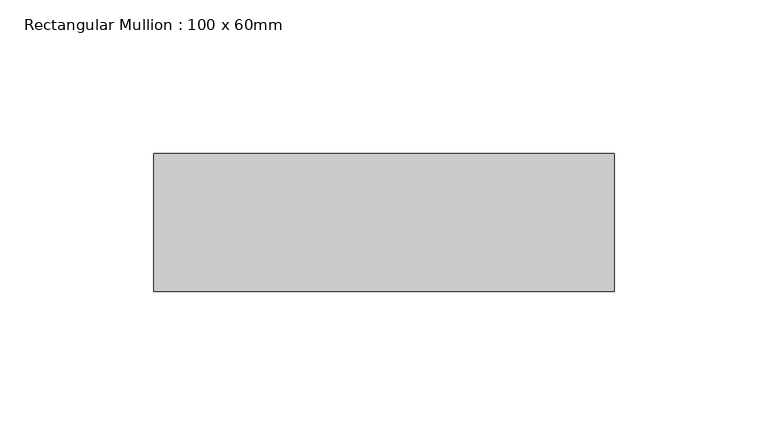
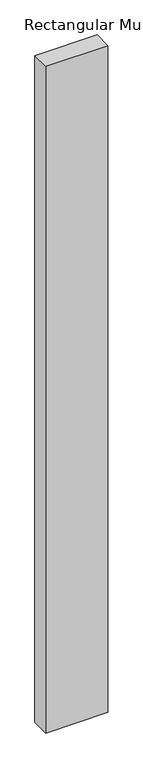
"""IFC4 building model written with IfcOpenShell, lengths in millimetres: member geometry, Rectangular Mullion : 100 x 60mm."""

import ifcopenshell
import ifcopenshell.guid

model = None  # the IFC model being written
_history = None  # IfcOwnerHistory: only IFC2X3 demands one
_inside = {}  # id of a spatial element -> (the spatial element, [elements in it])
_under = {}  # id of a project, library or spatial element -> (it, [spatial elements below it])
_declared = {}  # id of a project -> (the project, [libraries it declares])
_typed = {}  # id of a type object -> (the type object, [elements of that type])
_made_of = {}  # id of a material, layer set ... -> (it, [elements and type objects made of it])


def new_model(schema):
    """Start an empty IFC model of exactly this schema.

    Asked for "IFC4X3", IfcOpenShell would pick the latest addendum, in which some entities
    have other attributes; the version numbers below select the first issue.
    IFC2X3 requires an IfcOwnerHistory on every rooted entity: one is made here for all.
    """
    global model, _history
    if schema == "IFC4X3":
        model = ifcopenshell.file(schema_version=(4, 3, 0, 0))
    else:
        model = ifcopenshell.file(schema=schema)
    _inside.clear()
    _under.clear()
    _declared.clear()
    _typed.clear()
    _made_of.clear()
    _history = None
    if model.schema == "IFC2X3":
        org = make("IfcOrganization", Name="unknown")
        user = make(
            "IfcPersonAndOrganization",
            ThePerson=make("IfcPerson", FamilyName="unknown"),
            TheOrganization=org,
        )
        app = make(
            "IfcApplication",
            ApplicationDeveloper=org,
            Version="unknown",
            ApplicationFullName="unknown",
            ApplicationIdentifier="unknown",
        )
        _history = make(
            "IfcOwnerHistory",
            OwningUser=user,
            OwningApplication=app,
            ChangeAction="ADDED",
            CreationDate=0,
        )
    return model


def make(cls, **values):
    """One entity of the class cls with the attributes given. An attribute that is None is left unset."""
    return model.create_entity(
        cls, **{name: value for name, value in values.items() if value is not None}
    )


def rooted(cls, **values):
    """An entity with a GlobalId (a new one), such as an element, a storey or a relation."""
    return make(cls, GlobalId=ifcopenshell.guid.new(), OwnerHistory=_history, **values)


def si_unit(unit_type, name, prefix=None):
    """IfcSIUnit, for example si_unit("LENGTHUNIT", "METRE", prefix="MILLI")."""
    return make("IfcSIUnit", UnitType=unit_type, Prefix=prefix, Name=name)


def assignment(units):
    """IfcUnitAssignment: the units of a project."""
    return None if units is None else make("IfcUnitAssignment", Units=units)


def point(xyz):
    """IfcCartesianPoint."""
    return None if xyz is None else make("IfcCartesianPoint", Coordinates=xyz)


def direction(xyz):
    """IfcDirection."""
    return None if xyz is None else make("IfcDirection", DirectionRatios=xyz)


def frame(location, z_axis=None, x_axis=None):
    """IfcAxis2Placement3D, a coordinate frame: its origin and axes. An axis left out is left unset."""
    return make(
        "IfcAxis2Placement3D",
        Location=point(location),
        Axis=direction(z_axis),
        RefDirection=direction(x_axis),
    )


def origin():
    """The frame at (0, 0, 0) with its axes left unset."""
    return frame((0.0, 0.0, 0.0))


def place(relative_to, where):
    """IfcLocalPlacement: puts the frame where relative to a parent placement (None: the world)."""
    return make(
        "IfcLocalPlacement", PlacementRelTo=relative_to, RelativePlacement=where
    )


def context(
    kind, dimensions, precision=None, world=None, true_north=None, identifier=None
):
    """IfcGeometricRepresentationContext, for example the 3D "Model" context."""
    return make(
        "IfcGeometricRepresentationContext",
        ContextIdentifier=identifier,
        ContextType=kind,
        CoordinateSpaceDimension=dimensions,
        Precision=precision,
        WorldCoordinateSystem=world,
        TrueNorth=true_north,
    )


def project(units=None, contexts=None):
    """IfcProject with its units and contexts."""
    return rooted(
        "IfcProject",
        Name="project",
        RepresentationContexts=contexts,
        UnitsInContext=assignment(units),
    )


def spatial(cls, under=None, at=None, **own):
    """A site, building, storey or space (cls), placed at a placement, below another one or the project."""
    s = rooted(cls, ObjectPlacement=at, **own)
    if under is not None:
        _under.setdefault(under.id(), (under, []))[1].append(s)
    return s


def polyline(points):
    """IfcPolyline through the points."""
    return make("IfcPolyline", Points=[point(p) for p in points])


def outline(outer, holes=None, kind="AREA"):
    """IfcArbitraryClosedProfileDef: a profile drawn as a closed curve; with holes, ...WithVoids."""
    if holes is None:
        return make("IfcArbitraryClosedProfileDef", ProfileType=kind, OuterCurve=outer)
    return make(
        "IfcArbitraryProfileDefWithVoids",
        ProfileType=kind,
        OuterCurve=outer,
        InnerCurves=holes,
    )


def extrude(swept, where, along, depth):
    """IfcExtrudedAreaSolid: the profile swept, set in the frame where, extruded along a direction by depth."""
    return make(
        "IfcExtrudedAreaSolid",
        SweptArea=swept,
        Position=where,
        ExtrudedDirection=direction(along),
        Depth=depth,
    )


def shape(context_of_items, identifier, shape_type, items):
    """IfcShapeRepresentation: the items that make up one representation, for example the "Body"."""
    return make(
        "IfcShapeRepresentation",
        ContextOfItems=context_of_items,
        RepresentationIdentifier=identifier,
        RepresentationType=shape_type,
        Items=items,
    )


def source(mapping_origin, context_of_items, identifier, shape_type, items):
    """IfcRepresentationMap: a shape defined once, which mapped items show again and again."""
    return make(
        "IfcRepresentationMap",
        MappingOrigin=mapping_origin,
        MappedRepresentation=shape(context_of_items, identifier, shape_type, items),
    )


def transform(
    local_origin,
    x_axis=None,
    y_axis=None,
    z_axis=None,
    scale=None,
    scale2=None,
    scale3=None,
    uniform=True,
):
    """IfcCartesianTransformationOperator3D, or its non-uniform kind. x_axis, y_axis, z_axis: its Axis1, 2, 3."""
    if uniform:
        return make(
            "IfcCartesianTransformationOperator3D",
            Axis1=direction(x_axis),
            Axis2=direction(y_axis),
            LocalOrigin=point(local_origin),
            Scale=scale,
            Axis3=direction(z_axis),
        )
    return make(
        "IfcCartesianTransformationOperator3DnonUniform",
        Axis1=direction(x_axis),
        Axis2=direction(y_axis),
        LocalOrigin=point(local_origin),
        Scale=scale,
        Axis3=direction(z_axis),
        Scale2=scale2,
        Scale3=scale3,
    )


def mapped(mapping_source, mapping_target):
    """IfcMappedItem: shows the shape of a source again, moved by a transform."""
    return make(
        "IfcMappedItem", MappingSource=mapping_source, MappingTarget=mapping_target
    )


def made_of(thing, what):
    """Note that an element or type object is made of a material, layer set ...; save() writes the relation."""
    if what is not None:
        _made_of.setdefault(what.id(), (what, []))[1].append(thing)
    return thing


def element(
    cls,
    number,
    at=None,
    inside=None,
    cuts=None,
    type_object=None,
    material=None,
    context=None,
    identifier="Body",
    shape_type=None,
    held_by="IfcProductDefinitionShape",
    body=None,
    shapes=None,
    **own,
):
    """One element of the class cls, such as IfcWall. Its Tag is "e" and its number.

    at: its placement. inside: the storey or other place that contains it. cuts: it is an
    opening in that element (IfcRelVoidsElement). A single representation is given by context,
    identifier, shape_type and body (its items); several are given by shapes. held_by: the class
    of the entity that holds the representations. save() writes the other relations.
    """
    e = rooted(cls, Tag="e%d" % number, ObjectPlacement=at, **own)
    if body is not None:
        shapes = [shape(context, identifier, shape_type, body)]
    if shapes is not None:
        e.Representation = make(held_by, Representations=shapes)
    if inside is not None:
        _inside.setdefault(inside.id(), (inside, []))[1].append(e)
    if cuts is not None:
        rooted(
            "IfcRelVoidsElement", RelatingBuildingElement=cuts, RelatedOpeningElement=e
        )
    if type_object is not None:
        _typed.setdefault(type_object.id(), (type_object, []))[1].append(e)
    return made_of(e, material)


def aggregate(whole, parts):
    """IfcRelAggregates: a whole, such as a stair, and the parts it consists of."""
    return rooted("IfcRelAggregates", RelatingObject=whole, RelatedObjects=parts)


def save(model, path):
    """Write the relations noted so far, then the file.

    IfcRelAggregates (storeys below a building ...), IfcRelContainedInSpatialStructure (elements
    in a storey), IfcRelDefinesByType, IfcRelAssociatesMaterial and IfcRelDeclares: one each for
    every whole, place, type object, material and project.
    """
    for whole, parts in _under.values():
        aggregate(whole, parts)
    for where, things in _inside.values():
        rooted(
            "IfcRelContainedInSpatialStructure",
            RelatedElements=things,
            RelatingStructure=where,
        )
    for kind, things in _typed.values():
        rooted("IfcRelDefinesByType", RelatedObjects=things, RelatingType=kind)
    for what, things in _made_of.values():
        rooted("IfcRelAssociatesMaterial", RelatedObjects=things, RelatingMaterial=what)
    for by, libraries in _declared.values():
        rooted("IfcRelDeclares", RelatingContext=by, RelatedDefinitions=libraries)
    model.write(path)


def rectangular_mullion_100_x_60mm_9cbce2c2(model_context):
    return source(origin(), model_context, "Body", "SweptSolid", [
        extrude(outline(polyline([(0.0, 30.0), (0.0, -15.0), (-150.0, -15.0), (-150.0, 30.0), (0.0, 30.0)])), frame((0.0, 0.0, -1700.0), z_axis=(0.0, 0.0, 1.0), x_axis=(1.0, 0.0, 0.0)), (0.0, 0.0, 1.0), 1700.0),
    ])


if __name__ == "__main__":
    model = new_model("IFC4")
    model_context = context("Model", 3, world=origin())
    ifc_project = project(units=[si_unit("LENGTHUNIT", "METRE", prefix="MILLI")], contexts=[model_context])
    site = spatial("IfcSite", under=ifc_project)
    building = spatial("IfcBuilding", under=site)
    placement = place(None, origin())
    rectangular_mullion_100_x_60mm_shape = rectangular_mullion_100_x_60mm_9cbce2c2(model_context)
    element("IfcMember", 1, ObjectType="Rectangular Mullion : 100 x 60mm", at=placement, inside=building, context=model_context, shape_type="MappedRepresentation", body=[
        mapped(rectangular_mullion_100_x_60mm_shape, transform((0.0, 0.0, 0.0), x_axis=(1.0, 0.0, 0.0), y_axis=(0.0, 1.0, 0.0), z_axis=(0.0, 0.0, 1.0))),
    ])
    save(model, "model.ifc")
